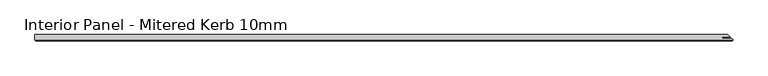
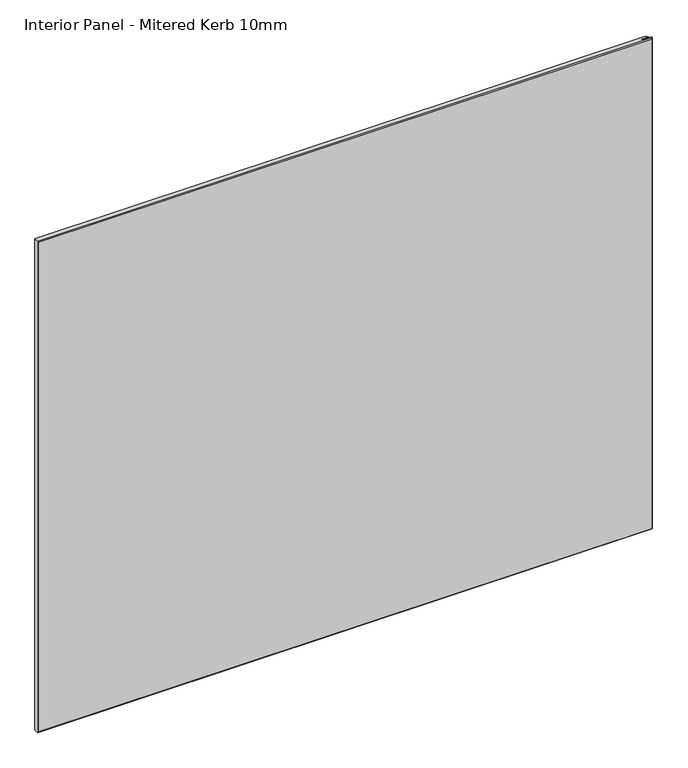
"""IFC4 building model written with IfcOpenShell, lengths in millimetres: proxy geometry, Interior Panel - Mitered Kerb 10mm."""

from ifc_helpers import new_model, si_unit, origin, place, context, project, spatial, faceted_brep, source, transform, mapped, element, save


def interior_panel_mitered_kerb_10mm_33999991(model_context):
    return source(origin(), model_context, "Body", "Brep", [
        faceted_brep([(1074.7375, 9.525, 914.4), (0.0, 9.525, 914.4), (0.0, 1.5875, 914.4), (1082.675, 1.5875, 914.4), (1080.7065, 3.556, 914.4), (1066.2382703, 3.556, 914.4), (1066.2382703, 5.969, 914.4), (1078.2935, 5.969, 914.4), (1074.7375, 9.525, 0.0), (1078.2935, 5.969, 0.0), (1066.2382703, 5.969, 0.0), (1066.2382703, 3.556, 0.0), (1080.7065, 3.556, 0.0), (1082.675, 1.5875, 0.0), (0.0, 1.5875, 0.0), (0.0, 9.525, 0.0), (1.5875, 0.0, 912.8125), (1.5875, 0.0, 1.5875), (1081.0875, 0.0, 1.5875), (1081.0875, 0.0, 912.8125)], [[[0, 1, 2, 3, 4, 5, 6, 7]], [[8, 9, 10, 11, 12, 13, 14, 15]], [[1, 0, 8, 15]], [[2, 1, 15, 14]], [[16, 17, 18, 19]], [[2, 14, 17, 16]], [[13, 3, 19, 18]], [[3, 2, 16, 19]], [[14, 13, 18, 17]], [[4, 3, 13, 12]], [[5, 4, 12, 11]], [[6, 5, 11, 10]], [[7, 6, 10, 9]], [[0, 7, 9, 8]]]),
    ])


if __name__ == "__main__":
    model = new_model("IFC4")
    model_context = context("Model", 3, world=origin())
    ifc_project = project(units=[si_unit("LENGTHUNIT", "METRE", prefix="MILLI")], contexts=[model_context])
    site = spatial("IfcSite", under=ifc_project)
    building = spatial("IfcBuilding", under=site)
    placement = place(None, origin())
    interior_panel_mitered_kerb_10mm_shape = interior_panel_mitered_kerb_10mm_33999991(model_context)
    element("IfcBuildingElementProxy", 1, Name="Interior Panel - Mitered Kerb 10mm", ObjectType="Interior Panel - Mitered Kerb 10mm", at=placement, inside=building, context=model_context, shape_type="MappedRepresentation", body=[
        mapped(interior_panel_mitered_kerb_10mm_shape, transform((0.0, 0.0, 0.0), x_axis=(1.0, 0.0, 0.0), y_axis=(0.0, 1.0, 0.0), z_axis=(0.0, 0.0, 1.0))),
    ])
    save(model, "model.ifc")
